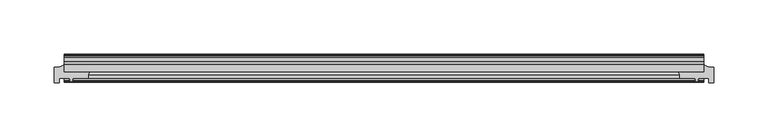
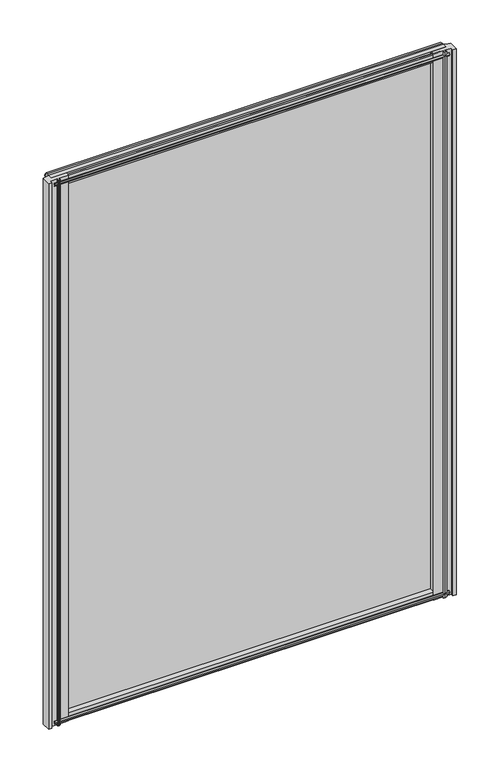
"""IFC4 building model written with IfcOpenShell, lengths in millimetres: plate geometry."""

from ifc_helpers import new_model, si_unit, point, frame, frame_2d, origin, place, context, project, spatial, polyline, circle_curve, trimmed, segment, composite_curve, outline, extrude, source, transform, mapped, element, save


def plate_8ab10f66(model_context):
    return source(origin(), model_context, "Body", "SweptSolid", [
        extrude(outline(polyline([(-295.277249, -19.5460937), (295.277249, -19.5460937), (295.277249, -25.8960937), (-295.277249, -25.8960937), (-295.277249, -19.5460937)])), frame((0.0, 0.0, -12.7), z_axis=(0.0, 0.0, 1.0), x_axis=(1.0, 0.0, 0.0)), (0.0, 0.0, 1.0), 863.6),
        extrude(outline(composite_curve([segment(polyline([(304.802249, -22.0782211), (304.802249, -36.1501817), (300.027049, -36.1501817), (300.027049, -32.2460937), (290.2015343, -32.2460937), (289.8840343, -34.3506957), (291.1026402, -34.0241712), (291.3064343, -34.7847412), (288.9315343, -35.4210937), (286.5566343, -34.7847412), (286.7604285, -34.0241712), (287.9790343, -34.3506957), (287.6615343, -32.2460937), (273.053103, -32.2460937)]), True, "CONTINUOUS"), segment(trimmed(circle_curve(frame_2d((264.2476731, -30.493422)), 8.9781654), [point((273.053103, -32.2460937))], [point((271.959484, -25.8960937))], True, "CARTESIAN"), True, "CONTINUOUS"), segment(polyline([(271.959484, -25.8960937), (295.2815343, -25.8960937), (295.2815343, -19.5460937)]), True, "CONTINUOUS"), segment(trimmed(circle_curve(frame_2d((304.802249, -2.913372)), 19.164849), [point((295.2815343, -19.5460937))], [point((304.802249, -22.0782211))], True, "CARTESIAN"), True, "CONTINUOUS")], self_intersect=False)), frame((0.0, 0.0, -12.7), z_axis=(0.0, 0.0, 1.0), x_axis=(1.0, 0.0, 0.0)), (0.0, 0.0, 1.0), 863.6),
        extrude(outline(composite_curve([segment(trimmed(circle_curve(frame_2d((-304.802249, -2.913372)), 19.164849), [point((-304.802249, -22.0782211))], [point((-295.2815343, -19.5460937))], True, "CARTESIAN"), True, "CONTINUOUS"), segment(polyline([(-295.2815343, -19.5460937), (-295.2815343, -25.8960937), (-271.959484, -25.8960937)]), True, "CONTINUOUS"), segment(trimmed(circle_curve(frame_2d((-264.2476731, -30.493422)), 8.9781654), [point((-271.959484, -25.8960937))], [point((-273.053103, -32.2460937))], True, "CARTESIAN"), True, "CONTINUOUS"), segment(polyline([(-273.053103, -32.2460937), (-287.6615343, -32.2460937), (-287.9790343, -34.3506957), (-286.7604285, -34.0241712), (-286.5566343, -34.7847412), (-288.9315343, -35.4210937), (-291.3064343, -34.7847412), (-291.1026402, -34.0241712), (-289.8840343, -34.3506957), (-290.2015343, -32.2460937), (-300.027049, -32.2460937), (-300.027049, -36.1501817), (-304.802249, -36.1501817), (-304.802249, -22.0782211)]), True, "CONTINUOUS")], self_intersect=False)), frame((0.0, 0.0, -12.7), z_axis=(0.0, 0.0, 1.0), x_axis=(1.0, 0.0, 0.0)), (0.0, 0.0, 1.0), 863.6),
        extrude(outline(polyline([(-13.1960937, 850.6587), (-13.1960937, 846.2137), (-10.8158968, 845.8327), (-11.27583, 847.248229), (-10.4746158, 847.248229), (-9.7670937, 845.0707), (-10.4746158, 842.8931709), (-11.27583, 842.8931709), (-10.8158968, 844.3087), (-13.1960937, 843.9277), (-13.1960937, 838.7207), (-19.5460937, 836.6154229), (-19.5460937, 848.4460038), (-16.1424937, 850.6587), (-13.1960937, 850.6587)])), frame((-295.277249, 0.0, 0.0), z_axis=(1.0, 0.0, 0.0), x_axis=(0.0, 1.0, 0.0)), (0.0, 0.0, 1.0), 590.5544979),
        extrude(outline(polyline([(-29.2996937, 850.138), (-25.8960937, 847.9253038), (-25.8960937, 836.0947229), (-32.2460937, 838.2), (-32.2460937, 843.407), (-34.6262907, 843.788), (-34.1663575, 842.3724709), (-34.9675717, 842.3724709), (-35.6750937, 844.55), (-34.9675717, 846.7275291), (-34.1663575, 846.7275291), (-34.6262907, 845.312), (-32.2460937, 845.693), (-32.2460937, 850.138), (-29.2996937, 850.138)])), frame((-295.277249, 0.0, 0.0), z_axis=(1.0, 0.0, 0.0), x_axis=(0.0, 1.0, 0.0)), (0.0, 0.0, 1.0), 590.5544979),
        extrude(outline(polyline([(-25.8960937, 2.1052771), (-25.8960937, -9.7253038), (-29.2996937, -11.938), (-32.2460937, -11.938), (-32.2460937, -7.493), (-34.6262907, -7.112), (-34.1663575, -8.5275291), (-34.9675717, -8.5275291), (-35.6750937, -6.35), (-34.9675717, -4.1724709), (-34.1663575, -4.1724709), (-34.6262907, -5.588), (-32.2460937, -5.207), (-32.2460937, 0.0), (-25.8960937, 2.1052771)])), frame((-295.277249, 0.0, 0.0), z_axis=(1.0, 0.0, 0.0), x_axis=(0.0, 1.0, 0.0)), (0.0, 0.0, 1.0), 590.5544979),
        extrude(outline(polyline([(-19.5460937, 1.5845771), (-13.1960937, -0.5207), (-13.1960937, -5.7277), (-10.8158968, -6.1087), (-11.27583, -4.6931709), (-10.4746158, -4.6931709), (-9.7670937, -6.8707), (-10.4746158, -9.048229), (-11.27583, -9.048229), (-10.8158968, -7.6327), (-13.1960937, -8.0137), (-13.1960937, -12.4587), (-16.1424937, -12.4587), (-19.5460937, -10.2460038), (-19.5460937, 1.5845771)])), frame((-295.277249, 0.0, 0.0), z_axis=(1.0, 0.0, 0.0), x_axis=(0.0, 1.0, 0.0)), (0.0, 0.0, 1.0), 590.5544979),
    ])


if __name__ == "__main__":
    model = new_model("IFC4")
    model_context = context("Model", 3, world=origin())
    ifc_project = project(units=[si_unit("LENGTHUNIT", "METRE", prefix="MILLI")], contexts=[model_context])
    site = spatial("IfcSite", under=ifc_project)
    building = spatial("IfcBuilding", under=site)
    placement = place(None, origin())
    plate_shape = plate_8ab10f66(model_context)
    element("IfcPlate", 1, at=placement, inside=building, context=model_context, shape_type="MappedRepresentation", body=[
        mapped(plate_shape, transform((0.0, 0.0, 0.0), x_axis=(1.0, 0.0, 0.0), y_axis=(0.0, 1.0, 0.0), z_axis=(0.0, 0.0, 1.0))),
    ])
    save(model, "model.ifc")
